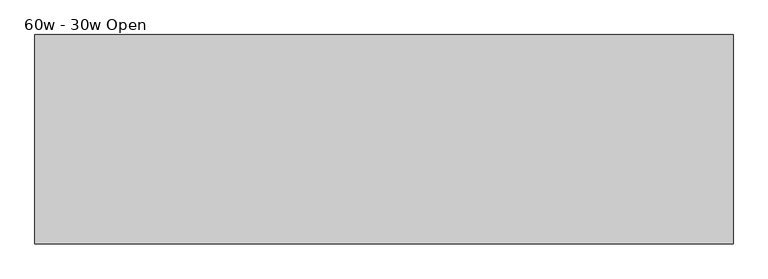
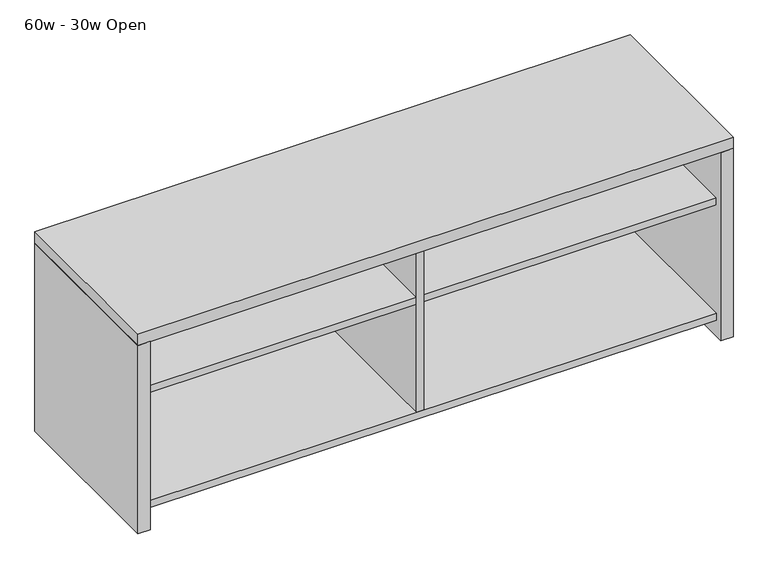
"""IFC4 building model written with IfcOpenShell, lengths in millimetres: furniture geometry, 60w - 30w Open."""

from ifc_helpers import new_model, si_unit, frame, origin, origin_with_axes, place, context, project, spatial, polyline, outline, extrude, source, transform, mapped, element, save


def furniture_60w_30w_open_571c6312(model_context):
    return source(origin(), model_context, "Body", "SweptSolid", [
        extrude(outline(polyline([(-190.5, -19.05), (-190.5, -436.5625), (-882.65, -436.5625), (-882.65, -19.05), (-190.5, -19.05)])), frame((0.0, 0.0, 355.6), z_axis=(0.0, 0.0, 1.0), x_axis=(1.0, 0.0, 0.0)), (0.0, 0.0, 1.0), 19.05),
        extrude(outline(polyline([(577.85, -19.05), (577.85, -436.5625), (-171.45, -436.5625), (-171.45, -19.05), (577.85, -19.05)])), frame((0.0, 0.0, 355.6), z_axis=(0.0, 0.0, 1.0), x_axis=(1.0, 0.0, 0.0)), (0.0, 0.0, 1.0), 19.05),
        extrude(outline(polyline([(-438.15, 44.45), (-438.15, 63.5), (-19.05, 63.5), (-19.05, 44.45), (-20.6375, 44.45), (-20.6375, 61.9125), (-436.5625, 61.9125), (-436.5625, 44.45), (-438.15, 44.45)])), frame((-882.65, 0.0, 0.0), z_axis=(1.0, 0.0, 0.0), x_axis=(0.0, 1.0, 0.0)), (0.0, 0.0, 1.0), 1460.5),
        extrude(outline(polyline([(-171.45, -438.15), (-190.5, -438.15), (-190.5, -19.05), (-171.45, -19.05), (-171.45, -438.15)])), frame((0.0, 0.0, 63.5), z_axis=(0.0, 0.0, 1.0), x_axis=(1.0, 0.0, 0.0)), (0.0, 0.0, 1.0), 446.0875),
        extrude(outline(polyline([(-914.4, 0.0), (-882.65, 0.0), (-882.65, -457.2), (-914.4, -457.2), (-914.4, 0.0)])), origin_with_axes(), (0.0, 0.0, 1.0), 509.5875),
        extrude(outline(polyline([(609.6, -457.2), (577.85, -457.2), (577.85, 0.0), (609.6, 0.0), (609.6, -457.2)])), origin_with_axes(), (0.0, 0.0, 1.0), 509.5875),
        extrude(outline(polyline([(609.6, 0.0), (609.6, -457.2), (-914.4, -457.2), (-914.4, 0.0), (609.6, 0.0)])), frame((0.0, 0.0, 509.5875), z_axis=(0.0, 0.0, 1.0), x_axis=(1.0, 0.0, 0.0)), (0.0, 0.0, 1.0), 30.1625),
        extrude(outline(polyline([(577.85, 0.0), (577.85, -19.05), (-882.65, -19.05), (-882.65, 0.0), (577.85, 0.0)])), frame((0.0, 0.0, 44.45), z_axis=(0.0, 0.0, 1.0), x_axis=(1.0, 0.0, 0.0)), (0.0, 0.0, 1.0), 465.1375),
    ])


if __name__ == "__main__":
    model = new_model("IFC4")
    model_context = context("Model", 3, world=origin())
    ifc_project = project(units=[si_unit("LENGTHUNIT", "METRE", prefix="MILLI")], contexts=[model_context])
    site = spatial("IfcSite", under=ifc_project)
    building = spatial("IfcBuilding", under=site)
    placement = place(None, origin())
    furniture_60w_30w_open_shape = furniture_60w_30w_open_571c6312(model_context)
    element("IfcFurniture", 1, ObjectType="60w - 30w Open", at=placement, inside=building, context=model_context, shape_type="MappedRepresentation", body=[
        mapped(furniture_60w_30w_open_shape, transform((0.0, 0.0, 0.0), x_axis=(1.0, 0.0, 0.0), y_axis=(0.0, 1.0, 0.0), z_axis=(0.0, 0.0, 1.0))),
    ])
    save(model, "model.ifc")
